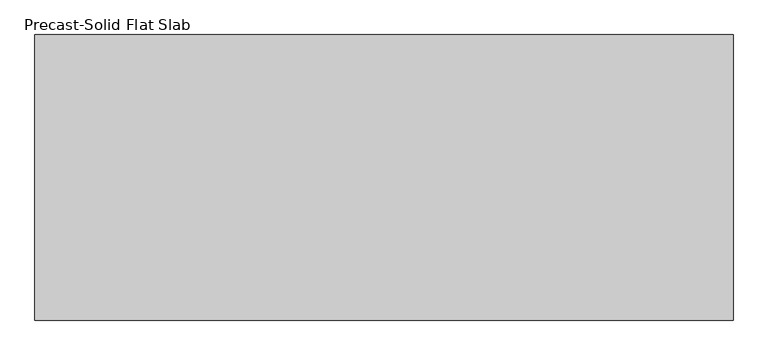
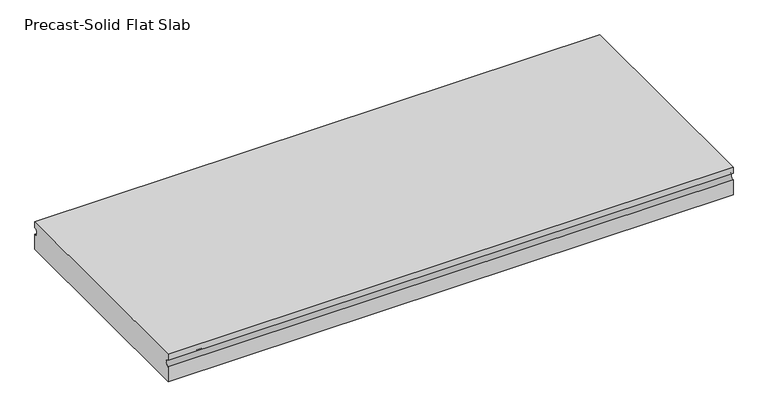
"""IFC4 building model written with IfcOpenShell, lengths in millimetres: beam geometry, Precast-Solid Flat Slab."""

from ifc_helpers import new_model, si_unit, point, frame, frame_2d, origin, place, context, project, spatial, polyline, circle_curve, trimmed, segment, composite_curve, outline, extrude, source, transform, mapped, element, save


def precast_solid_flat_slab_a1ef0760(model_context):
    return source(origin(), model_context, "Body", "SweptSolid", [
        extrude(outline(composite_curve([segment(polyline([(-304.8, 38.1), (304.8, 38.1), (304.8, 22.225)]), True, "CONTINUOUS"), segment(trimmed(circle_curve(frame_2d((304.8, 12.7)), 9.525), [point((304.8, 22.225))], [point((304.8, 3.175))], True, "CARTESIAN"), True, "CONTINUOUS"), segment(polyline([(304.8, 3.175), (304.8, -38.1), (-304.8, -38.1), (-304.8, 3.175)]), True, "CONTINUOUS"), segment(trimmed(circle_curve(frame_2d((-304.8, 12.7)), 9.525), [point((-304.8, 3.175))], [point((-304.8, 22.225))], True, "CARTESIAN"), True, "CONTINUOUS"), segment(polyline([(-304.8, 22.225), (-304.8, 38.1)]), True, "CONTINUOUS")], self_intersect=False)), frame((-743.8925781, 0.0, 0.0), z_axis=(1.0, 0.0, 0.0), x_axis=(0.0, 1.0, 0.0)), (0.0, 0.0, 1.0), 1490.1664062),
    ])


if __name__ == "__main__":
    model = new_model("IFC4")
    model_context = context("Model", 3, world=origin())
    ifc_project = project(units=[si_unit("LENGTHUNIT", "METRE", prefix="MILLI")], contexts=[model_context])
    site = spatial("IfcSite", under=ifc_project)
    building = spatial("IfcBuilding", under=site)
    placement = place(None, origin())
    precast_solid_flat_slab_shape = precast_solid_flat_slab_a1ef0760(model_context)
    element("IfcBeam", 1, ObjectType="Precast-Solid Flat Slab", at=placement, inside=building, context=model_context, shape_type="MappedRepresentation", body=[
        mapped(precast_solid_flat_slab_shape, transform((0.0, 0.0, 0.0), x_axis=(1.0, 0.0, 0.0), y_axis=(0.0, 1.0, 0.0), z_axis=(0.0, 0.0, 1.0))),
    ])
    save(model, "model.ifc")
